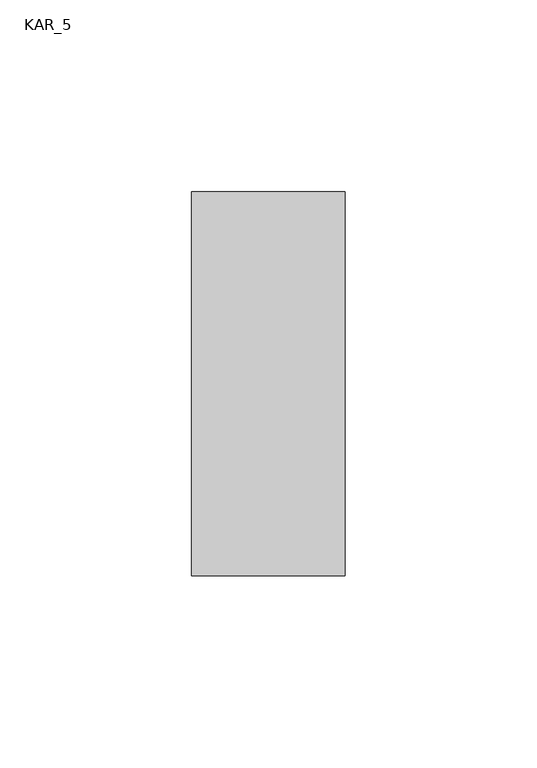
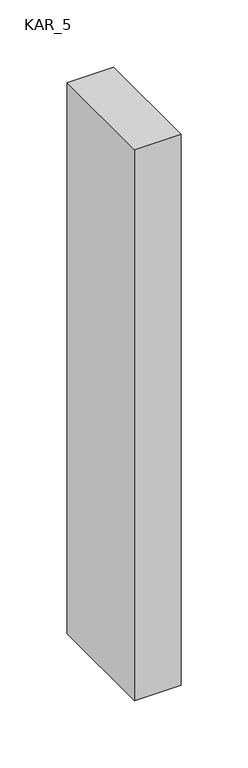
"""IFC4 building model written with IfcOpenShell, lengths in millimetres: proxy geometry, KAR_5."""

from ifc_helpers import new_model, si_unit, frame, origin, place, context, project, spatial, polyline, outline, extrude, source, transform, mapped, element, save


def kar_5_2d251ee9(model_context):
    return source(origin(), model_context, "Body", "SweptSolid", [
        extrude(outline(polyline([(40.0, 100.0), (40.0, 0.0), (0.0, 0.0), (0.0, 100.0), (40.0, 100.0)])), frame((0.0, 0.0, 1500.0), z_axis=(0.0, 0.0, 1.0), x_axis=(1.0, 0.0, 0.0)), (0.0, 0.0, 1.0), 500.0),
    ])


if __name__ == "__main__":
    model = new_model("IFC4")
    model_context = context("Model", 3, world=origin())
    ifc_project = project(units=[si_unit("LENGTHUNIT", "METRE", prefix="MILLI")], contexts=[model_context])
    site = spatial("IfcSite", under=ifc_project)
    building = spatial("IfcBuilding", under=site)
    placement = place(None, origin())
    kar_5_shape = kar_5_2d251ee9(model_context)
    element("IfcBuildingElementProxy", 1, Name="KAR_5", ObjectType="KAR_5", at=placement, inside=building, context=model_context, shape_type="MappedRepresentation", body=[
        mapped(kar_5_shape, transform((0.0, 0.0, 0.0), x_axis=(1.0, 0.0, 0.0), y_axis=(0.0, 1.0, 0.0), z_axis=(0.0, 0.0, 1.0))),
    ])
    save(model, "model.ifc")
